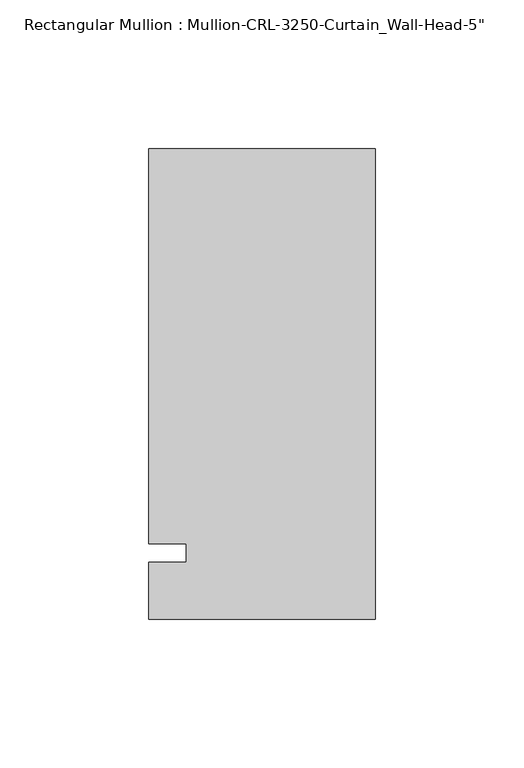
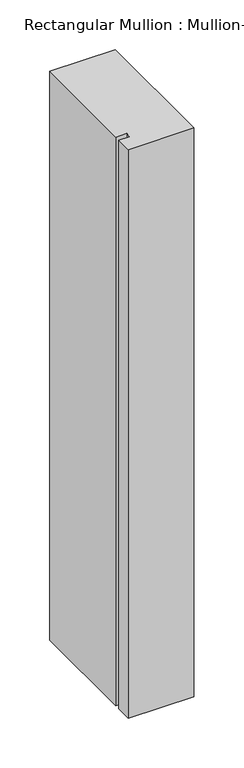
"""IFC4 building model written with IfcOpenShell, lengths in millimetres: member geometry."""

from ifc_helpers import new_model, si_unit, frame, origin, place, context, project, spatial, polyline, outline, extrude, source, transform, mapped, element, save


def member_3789388b(model_context):
    return source(origin(), model_context, "Body", "SweptSolid", [
        extrude(outline(polyline([(0.0, -22.2254168), (-76.199997, -22.2254168), (-76.199997, -3.175), (-63.499997, -3.175), (-63.499997, 3.175), (-76.199997, 3.175), (-76.199997, 136.0164463), (0.0, 136.0164463), (0.0, -22.2254168)])), frame((0.0, 0.0, -698.3166731), z_axis=(0.0, 0.0, 1.0), x_axis=(1.0, 0.0, 0.0)), (0.0, 0.0, 1.0), 698.3166731),
    ])


if __name__ == "__main__":
    model = new_model("IFC4")
    model_context = context("Model", 3, world=origin())
    ifc_project = project(units=[si_unit("LENGTHUNIT", "METRE", prefix="MILLI")], contexts=[model_context])
    site = spatial("IfcSite", under=ifc_project)
    building = spatial("IfcBuilding", under=site)
    placement = place(None, origin())
    member_shape = member_3789388b(model_context)
    element("IfcMember", 1, ObjectType="Rectangular Mullion : Mullion-CRL-3250-Curtain_Wall-Head-5\"", at=placement, inside=building, context=model_context, shape_type="MappedRepresentation", body=[
        mapped(member_shape, transform((0.0, 0.0, 0.0), x_axis=(1.0, 0.0, 0.0), y_axis=(0.0, 1.0, 0.0), z_axis=(0.0, 0.0, 1.0))),
    ])
    save(model, "model.ifc")
